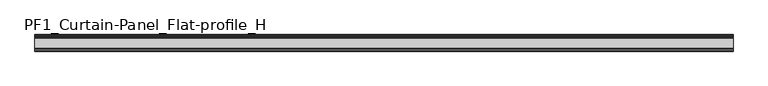
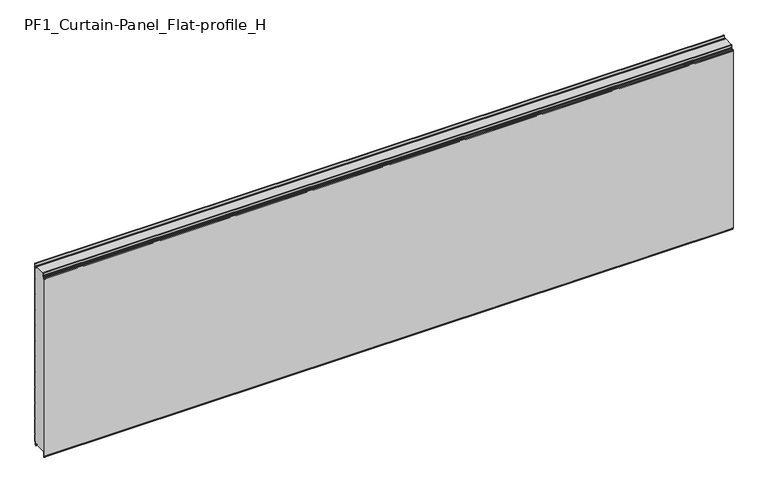
"""IFC4 building model written with IfcOpenShell, lengths in millimetres: plate geometry, PF1_Curtain-Panel_Flat-profile_H."""

from ifc_helpers import new_model, si_unit, point, frame, frame_2d, origin, place, context, project, spatial, polyline, circle_curve, trimmed, segment, composite_curve, outline, extrude, source, transform, mapped, element, save


def pf1_curtain_panel_flat_profile_h_c4dfcf72(model_context):
    return source(origin(), model_context, "Body", "SweptSolid", [
        extrude(outline(composite_curve([segment(polyline([(-15.878557, 0.0), (-20.0, 0.0), (-20.0, 0.8), (-15.878557, 0.8)]), True, "CONTINUOUS"), segment(trimmed(circle_curve(frame_2d((-15.878557, -2.0)), 2.8), [point((-15.878557, 0.8))], [point((-13.1503208, -1.370137))], False, "CARTESIAN"), True, "CONTINUOUS"), segment(polyline([(-13.1503208, -1.370137), (-11.728236, -7.529863)]), True, "CONTINUOUS"), segment(trimmed(circle_curve(frame_2d((-9.0, -6.9)), 2.8), [point((-11.728236, -7.529863))], [point((-6.2, -6.9))], True, "CARTESIAN"), True, "CONTINUOUS"), segment(polyline([(-6.2, -6.9), (-6.2, 8.6)]), True, "CONTINUOUS"), segment(trimmed(circle_curve(frame_2d((-3.4, 8.6)), 2.8), [point((-6.2, 8.6))], [point((-3.4, 11.4))], False, "CARTESIAN"), True, "CONTINUOUS"), segment(polyline([(-3.4, 11.4), (-2.0, 11.4)]), True, "CONTINUOUS"), segment(trimmed(circle_curve(frame_2d((-2.0, 12.6)), 1.2), [point((-2.0, 11.4))], [point((-0.8, 12.6))], True, "CARTESIAN"), True, "CONTINUOUS"), segment(polyline([(-0.8, 12.6), (-0.8, 57.6856412), (-2.482606, 60.6), (-0.8, 63.5143588), (-0.8, 157.6856412), (-2.482606, 160.6), (-0.8, 163.5143588), (-0.8, 257.6856412), (-2.482606, 260.6), (-0.8, 263.5143588), (-0.8, 357.6856412), (-2.482606, 360.6), (-0.8, 363.5143588), (-0.8, 457.6856412), (-2.482606, 460.6), (-0.8, 463.5143588), (-0.8, 557.6856412), (-2.482606, 560.6), (-0.8, 563.5143588), (-0.8, 657.6856412), (-2.482606, 660.6), (-0.8, 663.5143588), (-0.8, 757.6856412), (-2.482606, 760.6), (-0.8, 763.5143588), (-0.8, 857.6856412), (-2.482606, 860.6), (-0.8, 863.5143588), (-0.8, 957.6856412), (-2.482606, 960.6), (-0.8, 963.5143588), (-0.8, 1057.6856412), (-2.482606, 1060.6), (-0.8, 1063.5143588), (-0.8, 1158.268846)]), True, "CONTINUOUS"), segment(trimmed(circle_curve(frame_2d((-2.5, 1158.268846)), 1.7), [point((-0.8, 1158.268846))], [point((-4.2, 1158.268846))], True, "CARTESIAN"), True, "CONTINUOUS"), segment(polyline([(-4.2, 1158.268846), (-4.2, 1141.268846)]), True, "CONTINUOUS"), segment(trimmed(circle_curve(frame_2d((-9.0, 1141.268846)), 4.8), [point((-4.2, 1141.268846))], [point((-13.7270771, 1140.4353344))], False, "CARTESIAN"), True, "CONTINUOUS"), segment(polyline([(-13.7270771, 1140.4353344), (-14.8636953, 1146.8814129)]), True, "CONTINUOUS"), segment(trimmed(circle_curve(frame_2d((-16.6363492, 1146.568846)), 1.8), [point((-14.8636953, 1146.8814129))], [point((-16.6363492, 1148.368846))], True, "CARTESIAN"), True, "CONTINUOUS"), segment(polyline([(-16.6363492, 1148.368846), (-20.0, 1148.368846), (-20.0, 1149.168846), (-16.6363492, 1149.168846)]), True, "CONTINUOUS"), segment(trimmed(circle_curve(frame_2d((-16.6363492, 1146.568846)), 2.6), [point((-16.6363492, 1149.168846))], [point((-14.0758491, 1147.0203315))], False, "CARTESIAN"), True, "CONTINUOUS"), segment(polyline([(-14.0758491, 1147.0203315), (-12.939231, 1140.574253)]), True, "CONTINUOUS"), segment(trimmed(circle_curve(frame_2d((-9.0, 1141.268846)), 4.0), [point((-12.939231, 1140.574253))], [point((-5.0, 1141.268846))], True, "CARTESIAN"), True, "CONTINUOUS"), segment(polyline([(-5.0, 1141.268846), (-5.0, 1158.268846)]), True, "CONTINUOUS"), segment(trimmed(circle_curve(frame_2d((-2.5, 1158.268846)), 2.5), [point((-5.0, 1158.268846))], [point((0.0, 1158.268846))], False, "CARTESIAN"), True, "CONTINUOUS"), segment(polyline([(0.0, 1158.268846), (0.0, 1063.2999995), (-1.5588455, 1060.6), (0.0, 1057.9000005), (0.0, 963.2999995), (-1.5588455, 960.6), (0.0, 957.9000005), (0.0, 863.2999995), (-1.5588455, 860.6), (0.0, 857.9000005), (0.0, 763.2999995), (-1.5588455, 760.6), (0.0, 757.9000005), (0.0, 663.2999995), (-1.5588455, 660.6), (0.0, 657.9000005), (0.0, 563.2999995), (-1.5588455, 560.6), (0.0, 557.9000005), (0.0, 463.2999995), (-1.5588455, 460.6), (0.0, 457.9000005), (0.0, 363.2999995), (-1.5588455, 360.6), (0.0, 357.9000005), (0.0, 263.2999995), (-1.5588455, 260.6), (0.0, 257.9000005), (0.0, 163.2999995), (-1.5588455, 160.6), (0.0, 157.9000005), (0.0, 63.2999995), (-1.5588455, 60.6), (0.0, 57.9000005), (0.0, 12.6)]), True, "CONTINUOUS"), segment(trimmed(circle_curve(frame_2d((-2.0, 12.6)), 2.0), [point((0.0, 12.6))], [point((-2.0, 10.6))], False, "CARTESIAN"), True, "CONTINUOUS"), segment(polyline([(-2.0, 10.6), (-3.4, 10.6)]), True, "CONTINUOUS"), segment(trimmed(circle_curve(frame_2d((-3.4, 8.6)), 2.0), [point((-3.4, 10.6))], [point((-5.4, 8.6))], True, "CARTESIAN"), True, "CONTINUOUS"), segment(polyline([(-5.4, 8.6), (-5.4, -6.9)]), True, "CONTINUOUS"), segment(trimmed(circle_curve(frame_2d((-9.0, -6.9)), 3.6), [point((-5.4, -6.9))], [point((-12.5077322, -7.7098239))], False, "CARTESIAN"), True, "CONTINUOUS"), segment(polyline([(-12.5077322, -7.7098239), (-13.929817, -1.5500979)]), True, "CONTINUOUS"), segment(trimmed(circle_curve(frame_2d((-15.878557, -2.0)), 2.0), [point((-13.929817, -1.5500979))], [point((-15.878557, 0.0))], True, "CARTESIAN"), True, "CONTINUOUS")], self_intersect=False)), frame((-2100.0, 0.0, 0.0), z_axis=(1.0, 0.0, 0.0), x_axis=(0.0, 1.0, 0.0)), (0.0, 0.0, 1.0), 4200.0),
        extrude(outline(composite_curve([segment(polyline([(-90.0, 0.0), (-93.5, 0.0)]), True, "CONTINUOUS"), segment(trimmed(circle_curve(frame_2d((-93.5, -2.0)), 2.0), [point((-93.5, 0.0))], [point((-95.5, -2.0))], True, "CARTESIAN"), True, "CONTINUOUS"), segment(polyline([(-95.5, -2.0), (-95.5, -33.0)]), True, "CONTINUOUS"), segment(trimmed(circle_curve(frame_2d((-96.5, -33.0)), 1.0), [point((-95.5, -33.0))], [point((-97.5, -33.0))], False, "CARTESIAN"), True, "CONTINUOUS"), segment(polyline([(-97.5, -33.0), (-97.5, -26.9)]), True, "CONTINUOUS"), segment(trimmed(circle_curve(frame_2d((-98.4, -26.9)), 0.9), [point((-97.5, -26.9))], [point((-98.4, -26.0))], True, "CARTESIAN"), True, "CONTINUOUS"), segment(trimmed(circle_curve(frame_2d((-98.4, -24.4)), 1.6), [point((-98.4, -26.0))], [point((-100.0, -24.4))], False, "CARTESIAN"), True, "CONTINUOUS"), segment(polyline([(-100.0, -24.4), (-100.0, 1123.168846)]), True, "CONTINUOUS"), segment(trimmed(circle_curve(frame_2d((-99.0, 1123.168846)), 1.0), [point((-100.0, 1123.168846))], [point((-98.0, 1123.168846))], False, "CARTESIAN"), True, "CONTINUOUS"), segment(polyline([(-98.0, 1123.168846), (-98.0, 1117.168846)]), True, "CONTINUOUS"), segment(trimmed(circle_curve(frame_2d((-96.5, 1117.168846)), 1.5), [point((-98.0, 1117.168846))], [point((-95.0, 1117.168846))], True, "CARTESIAN"), True, "CONTINUOUS"), segment(polyline([(-95.0, 1117.168846), (-95.0, 1117.9964664)]), True, "CONTINUOUS"), segment(trimmed(circle_curve(frame_2d((-88.8276204, 1117.9964664)), 6.1723796), [point((-95.0, 1117.9964664))], [point((-88.8276204, 1124.168846))], False, "CARTESIAN"), True, "CONTINUOUS"), segment(polyline([(-88.8276204, 1124.168846), (-88.0, 1124.168846)]), True, "CONTINUOUS"), segment(trimmed(circle_curve(frame_2d((-88.0, 1125.168846)), 1.0), [point((-88.0, 1124.168846))], [point((-87.0, 1125.168846))], True, "CARTESIAN"), True, "CONTINUOUS"), segment(polyline([(-87.0, 1125.168846), (-87.0, 1131.6688472), (-85.4999999, 1133.168846), (-87.0, 1134.6688448), (-87.0, 1146.568846)]), True, "CONTINUOUS"), segment(trimmed(circle_curve(frame_2d((-84.4, 1146.568846)), 2.6), [point((-87.0, 1146.568846))], [point((-84.4, 1149.168846))], False, "CARTESIAN"), True, "CONTINUOUS"), segment(polyline([(-84.4, 1149.168846), (-83.0, 1149.168846), (-83.0, 1148.368846), (-84.4, 1148.368846)]), True, "CONTINUOUS"), segment(trimmed(circle_curve(frame_2d((-84.4, 1146.568846)), 1.8), [point((-84.4, 1148.368846))], [point((-86.2, 1146.568846))], True, "CARTESIAN"), True, "CONTINUOUS"), segment(polyline([(-86.2, 1146.568846), (-86.2, 1135.0002158), (-84.3686285, 1133.168846), (-86.2, 1131.3374762), (-86.2, 1125.168846)]), True, "CONTINUOUS"), segment(trimmed(circle_curve(frame_2d((-88.0, 1125.168846)), 1.8), [point((-86.2, 1125.168846))], [point((-88.0, 1123.368846))], False, "CARTESIAN"), True, "CONTINUOUS"), segment(polyline([(-88.0, 1123.368846), (-88.8276204, 1123.368846)]), True, "CONTINUOUS"), segment(trimmed(circle_curve(frame_2d((-88.8276204, 1117.9964664)), 5.3723796), [point((-88.8276204, 1123.368846))], [point((-94.2, 1117.9964664))], True, "CARTESIAN"), True, "CONTINUOUS"), segment(polyline([(-94.2, 1117.9964664), (-94.2, 1117.168846)]), True, "CONTINUOUS"), segment(trimmed(circle_curve(frame_2d((-96.4, 1117.168846)), 2.2), [point((-94.2, 1117.168846))], [point((-98.6, 1117.168846))], False, "CARTESIAN"), True, "CONTINUOUS"), segment(polyline([(-98.6, 1117.168846), (-98.6, 1123.0579973)]), True, "CONTINUOUS"), segment(trimmed(circle_curve(frame_2d((-98.9, 1123.0579973)), 0.3), [point((-98.6, 1123.0579973))], [point((-99.2, 1123.0579973))], True, "CARTESIAN"), True, "CONTINUOUS"), segment(polyline([(-99.2, 1123.0579973), (-99.2, -24.4)]), True, "CONTINUOUS"), segment(trimmed(circle_curve(frame_2d((-98.4, -24.4)), 0.8), [point((-99.2, -24.4))], [point((-98.4, -25.2))], True, "CARTESIAN"), True, "CONTINUOUS"), segment(trimmed(circle_curve(frame_2d((-98.6133333, -26.9)), 1.7133333), [point((-98.4, -25.2))], [point((-96.9, -26.9))], False, "CARTESIAN"), True, "CONTINUOUS"), segment(polyline([(-96.9, -26.9), (-96.9, -32.8700312)]), True, "CONTINUOUS"), segment(trimmed(circle_curve(frame_2d((-96.6, -32.8700312)), 0.3), [point((-96.9, -32.8700312))], [point((-96.3, -32.8700312))], True, "CARTESIAN"), True, "CONTINUOUS"), segment(polyline([(-96.3, -32.8700312), (-96.3, -2.0)]), True, "CONTINUOUS"), segment(trimmed(circle_curve(frame_2d((-93.5, -2.0)), 2.8), [point((-96.3, -2.0))], [point((-93.5, 0.8))], False, "CARTESIAN"), True, "CONTINUOUS"), segment(polyline([(-93.5, 0.8), (-90.0, 0.8), (-90.0, 0.0)]), True, "CONTINUOUS")], self_intersect=False)), frame((-2100.0, 0.0, 0.0), z_axis=(1.0, 0.0, 0.0), x_axis=(0.0, 1.0, 0.0)), (0.0, 0.0, 1.0), 4200.0),
        extrude(outline(composite_curve([segment(polyline([(-90.0, 0.8), (-93.5, 0.8)]), True, "CONTINUOUS"), segment(trimmed(circle_curve(frame_2d((-93.5, -2.0)), 2.8), [point((-93.5, 0.8))], [point((-96.3, -2.0))], True, "CARTESIAN"), True, "CONTINUOUS"), segment(polyline([(-96.3, -2.0), (-96.3, -32.8700312)]), True, "CONTINUOUS"), segment(trimmed(circle_curve(frame_2d((-96.6, -32.8700312)), 0.3), [point((-96.3, -32.8700312))], [point((-96.9, -32.8700312))], False, "CARTESIAN"), True, "CONTINUOUS"), segment(polyline([(-96.9, -32.8700312), (-96.9, -26.9)]), True, "CONTINUOUS"), segment(trimmed(circle_curve(frame_2d((-98.6133333, -26.9)), 1.7133333), [point((-96.9, -26.9))], [point((-98.4, -25.2))], True, "CARTESIAN"), True, "CONTINUOUS"), segment(trimmed(circle_curve(frame_2d((-98.4, -24.4)), 0.8), [point((-98.4, -25.2))], [point((-99.2, -24.4))], False, "CARTESIAN"), True, "CONTINUOUS"), segment(polyline([(-99.2, -24.4), (-99.2, 1123.0579973)]), True, "CONTINUOUS"), segment(trimmed(circle_curve(frame_2d((-98.9, 1123.0579973)), 0.3), [point((-99.2, 1123.0579973))], [point((-98.6, 1123.0579973))], False, "CARTESIAN"), True, "CONTINUOUS"), segment(polyline([(-98.6, 1123.0579973), (-98.6, 1117.168846)]), True, "CONTINUOUS"), segment(trimmed(circle_curve(frame_2d((-96.4, 1117.168846)), 2.2), [point((-98.6, 1117.168846))], [point((-94.2, 1117.168846))], True, "CARTESIAN"), True, "CONTINUOUS"), segment(polyline([(-94.2, 1117.168846), (-94.2, 1117.9964664)]), True, "CONTINUOUS"), segment(trimmed(circle_curve(frame_2d((-88.8276204, 1117.9964664)), 5.3723796), [point((-94.2, 1117.9964664))], [point((-88.8276204, 1123.368846))], False, "CARTESIAN"), True, "CONTINUOUS"), segment(polyline([(-88.8276204, 1123.368846), (-88.0, 1123.368846)]), True, "CONTINUOUS"), segment(trimmed(circle_curve(frame_2d((-88.0, 1125.168846)), 1.8), [point((-88.0, 1123.368846))], [point((-86.2, 1125.168846))], True, "CARTESIAN"), True, "CONTINUOUS"), segment(polyline([(-86.2, 1125.168846), (-86.2, 1131.3374762), (-84.3686285, 1133.168846), (-86.2, 1135.0002158), (-86.2, 1146.568846)]), True, "CONTINUOUS"), segment(trimmed(circle_curve(frame_2d((-84.4, 1146.568846)), 1.8), [point((-86.2, 1146.568846))], [point((-84.4, 1148.368846))], False, "CARTESIAN"), True, "CONTINUOUS"), segment(polyline([(-84.4, 1148.368846), (-83.0, 1148.368846), (-83.0, 1149.168846), (-20.0, 1149.168846), (-20.0, 1148.368846), (-16.6363492, 1148.368846)]), True, "CONTINUOUS"), segment(trimmed(circle_curve(frame_2d((-16.6363492, 1146.568846)), 1.8), [point((-16.6363492, 1148.368846))], [point((-14.8636953, 1146.8814129))], False, "CARTESIAN"), True, "CONTINUOUS"), segment(polyline([(-14.8636953, 1146.8814129), (-13.7270772, 1140.4353344)]), True, "CONTINUOUS"), segment(trimmed(circle_curve(frame_2d((-9.0, 1141.268846)), 4.8), [point((-13.7270772, 1140.4353344))], [point((-4.2, 1141.268846))], True, "CARTESIAN"), True, "CONTINUOUS"), segment(polyline([(-4.2, 1141.268846), (-4.2, 1158.268846)]), True, "CONTINUOUS"), segment(trimmed(circle_curve(frame_2d((-2.5, 1158.268846)), 1.7), [point((-4.2, 1158.268846))], [point((-0.8, 1158.268846))], False, "CARTESIAN"), True, "CONTINUOUS"), segment(polyline([(-0.8, 1158.268846), (-0.8, 1063.5143588), (-2.482606, 1060.6), (-0.8, 1057.6856412), (-0.8, 963.5143588), (-2.482606, 960.6), (-0.8, 957.6856412), (-0.8, 863.5143588), (-2.482606, 860.6), (-0.8, 857.6856412), (-0.8, 763.5143588), (-2.482606, 760.6), (-0.8, 757.6856412), (-0.8, 663.5143588), (-2.482606, 660.6), (-0.8, 657.6856412), (-0.8, 563.5143588), (-2.482606, 560.6), (-0.8, 557.6856412), (-0.8, 463.5143588), (-2.482606, 460.6), (-0.8, 457.6856412), (-0.8, 363.5143588), (-2.482606, 360.6), (-0.8, 357.6856412), (-0.8, 263.5143588), (-2.482606, 260.6), (-0.8, 257.6856412), (-0.8, 163.5143588), (-2.482606, 160.6), (-0.8, 157.6856412), (-0.8, 63.5143588), (-2.482606, 60.6), (-0.8, 57.6856412), (-0.8, 12.6)]), True, "CONTINUOUS"), segment(trimmed(circle_curve(frame_2d((-2.0, 12.6)), 1.2), [point((-0.8, 12.6))], [point((-2.0, 11.4))], False, "CARTESIAN"), True, "CONTINUOUS"), segment(polyline([(-2.0, 11.4), (-3.4, 11.4)]), True, "CONTINUOUS"), segment(trimmed(circle_curve(frame_2d((-3.4, 8.6)), 2.8), [point((-3.4, 11.4))], [point((-6.2, 8.6))], True, "CARTESIAN"), True, "CONTINUOUS"), segment(polyline([(-6.2, 8.6), (-6.2, -6.9)]), True, "CONTINUOUS"), segment(trimmed(circle_curve(frame_2d((-9.0, -6.9)), 2.8), [point((-6.2, -6.9))], [point((-11.7282362, -7.529863))], False, "CARTESIAN"), True, "CONTINUOUS"), segment(polyline([(-11.7282362, -7.529863), (-13.1503208, -1.370137)]), True, "CONTINUOUS"), segment(trimmed(circle_curve(frame_2d((-15.878557, -2.0)), 2.8), [point((-13.1503208, -1.370137))], [point((-15.878557, 0.8))], True, "CARTESIAN"), True, "CONTINUOUS"), segment(polyline([(-15.878557, 0.8), (-20.0, 0.8), (-20.0, 0.0), (-90.0, 0.0), (-90.0, 0.8)]), True, "CONTINUOUS")], self_intersect=False)), frame((-2100.0, 0.0, 0.0), z_axis=(1.0, 0.0, 0.0), x_axis=(0.0, 1.0, 0.0)), (0.0, 0.0, 1.0), 4200.0),
    ])


if __name__ == "__main__":
    model = new_model("IFC4")
    model_context = context("Model", 3, world=origin())
    ifc_project = project(units=[si_unit("LENGTHUNIT", "METRE", prefix="MILLI")], contexts=[model_context])
    site = spatial("IfcSite", under=ifc_project)
    building = spatial("IfcBuilding", under=site)
    placement = place(None, origin())
    pf1_curtain_panel_flat_profile_h_shape = pf1_curtain_panel_flat_profile_h_c4dfcf72(model_context)
    element("IfcPlate", 1, ObjectType="PF1_Curtain-Panel_Flat-profile_H", at=placement, inside=building, context=model_context, shape_type="MappedRepresentation", body=[
        mapped(pf1_curtain_panel_flat_profile_h_shape, transform((0.0, 0.0, 0.0), x_axis=(1.0, 0.0, 0.0), y_axis=(0.0, 1.0, 0.0), z_axis=(0.0, 0.0, 1.0))),
    ])
    save(model, "model.ifc")
